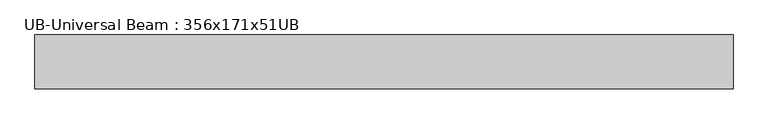
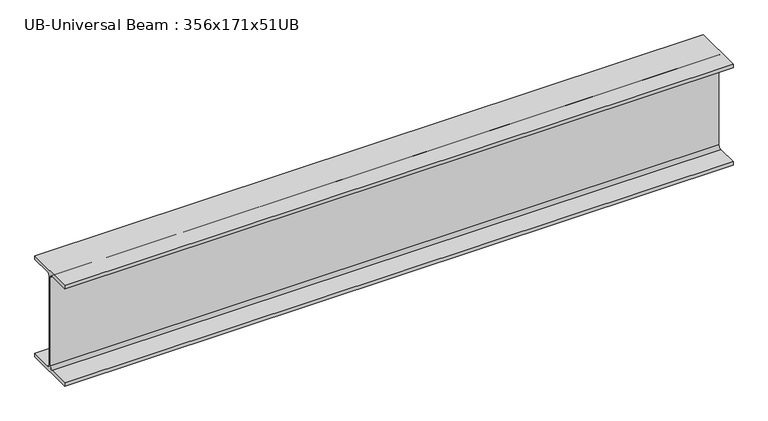
"""IFC4 building model written with IfcOpenShell, lengths in millimetres: beam geometry, UB-Universal Beam : 356x171x51UB."""

import ifcopenshell
import ifcopenshell.guid

model = None  # the IFC model being written
_history = None  # IfcOwnerHistory: only IFC2X3 demands one
_inside = {}  # id of a spatial element -> (the spatial element, [elements in it])
_under = {}  # id of a project, library or spatial element -> (it, [spatial elements below it])
_declared = {}  # id of a project -> (the project, [libraries it declares])
_typed = {}  # id of a type object -> (the type object, [elements of that type])
_made_of = {}  # id of a material, layer set ... -> (it, [elements and type objects made of it])


def new_model(schema):
    """Start an empty IFC model of exactly this schema.

    Asked for "IFC4X3", IfcOpenShell would pick the latest addendum, in which some entities
    have other attributes; the version numbers below select the first issue.
    IFC2X3 requires an IfcOwnerHistory on every rooted entity: one is made here for all.
    """
    global model, _history
    if schema == "IFC4X3":
        model = ifcopenshell.file(schema_version=(4, 3, 0, 0))
    else:
        model = ifcopenshell.file(schema=schema)
    _inside.clear()
    _under.clear()
    _declared.clear()
    _typed.clear()
    _made_of.clear()
    _history = None
    if model.schema == "IFC2X3":
        org = make("IfcOrganization", Name="unknown")
        user = make(
            "IfcPersonAndOrganization",
            ThePerson=make("IfcPerson", FamilyName="unknown"),
            TheOrganization=org,
        )
        app = make(
            "IfcApplication",
            ApplicationDeveloper=org,
            Version="unknown",
            ApplicationFullName="unknown",
            ApplicationIdentifier="unknown",
        )
        _history = make(
            "IfcOwnerHistory",
            OwningUser=user,
            OwningApplication=app,
            ChangeAction="ADDED",
            CreationDate=0,
        )
    return model


def make(cls, **values):
    """One entity of the class cls with the attributes given. An attribute that is None is left unset."""
    return model.create_entity(
        cls, **{name: value for name, value in values.items() if value is not None}
    )


def rooted(cls, **values):
    """An entity with a GlobalId (a new one), such as an element, a storey or a relation."""
    return make(cls, GlobalId=ifcopenshell.guid.new(), OwnerHistory=_history, **values)


def si_unit(unit_type, name, prefix=None):
    """IfcSIUnit, for example si_unit("LENGTHUNIT", "METRE", prefix="MILLI")."""
    return make("IfcSIUnit", UnitType=unit_type, Prefix=prefix, Name=name)


def assignment(units):
    """IfcUnitAssignment: the units of a project."""
    return None if units is None else make("IfcUnitAssignment", Units=units)


def point(xyz):
    """IfcCartesianPoint."""
    return None if xyz is None else make("IfcCartesianPoint", Coordinates=xyz)


def direction(xyz):
    """IfcDirection."""
    return None if xyz is None else make("IfcDirection", DirectionRatios=xyz)


def frame(location, z_axis=None, x_axis=None):
    """IfcAxis2Placement3D, a coordinate frame: its origin and axes. An axis left out is left unset."""
    return make(
        "IfcAxis2Placement3D",
        Location=point(location),
        Axis=direction(z_axis),
        RefDirection=direction(x_axis),
    )


def frame_2d(location, x_axis=None):
    """IfcAxis2Placement2D, a coordinate frame in the plane: its origin and x axis."""
    return make(
        "IfcAxis2Placement2D", Location=point(location), RefDirection=direction(x_axis)
    )


def origin():
    """The frame at (0, 0, 0) with its axes left unset."""
    return frame((0.0, 0.0, 0.0))


def place(relative_to, where):
    """IfcLocalPlacement: puts the frame where relative to a parent placement (None: the world)."""
    return make(
        "IfcLocalPlacement", PlacementRelTo=relative_to, RelativePlacement=where
    )


def context(
    kind, dimensions, precision=None, world=None, true_north=None, identifier=None
):
    """IfcGeometricRepresentationContext, for example the 3D "Model" context."""
    return make(
        "IfcGeometricRepresentationContext",
        ContextIdentifier=identifier,
        ContextType=kind,
        CoordinateSpaceDimension=dimensions,
        Precision=precision,
        WorldCoordinateSystem=world,
        TrueNorth=true_north,
    )


def project(units=None, contexts=None):
    """IfcProject with its units and contexts."""
    return rooted(
        "IfcProject",
        Name="project",
        RepresentationContexts=contexts,
        UnitsInContext=assignment(units),
    )


def spatial(cls, under=None, at=None, **own):
    """A site, building, storey or space (cls), placed at a placement, below another one or the project."""
    s = rooted(cls, ObjectPlacement=at, **own)
    if under is not None:
        _under.setdefault(under.id(), (under, []))[1].append(s)
    return s


def polyline(points):
    """IfcPolyline through the points."""
    return make("IfcPolyline", Points=[point(p) for p in points])


def circle_curve(where, radius):
    """IfcCircle in the frame where."""
    return make("IfcCircle", Position=where, Radius=radius)


def trimmed(basis, trim1, trim2, sense, master):
    """IfcTrimmedCurve: the piece of a basis curve between two trims."""
    return make(
        "IfcTrimmedCurve",
        BasisCurve=basis,
        Trim1=trim1,
        Trim2=trim2,
        SenseAgreement=sense,
        MasterRepresentation=master,
    )


def segment(curve, same_sense, transition):
    """IfcCompositeCurveSegment."""
    return make(
        "IfcCompositeCurveSegment",
        Transition=transition,
        SameSense=same_sense,
        ParentCurve=curve,
    )


def composite_curve(segments, self_intersect=None):
    """IfcCompositeCurve: segments joined end to end."""
    return make("IfcCompositeCurve", Segments=segments, SelfIntersect=self_intersect)


def outline(outer, holes=None, kind="AREA"):
    """IfcArbitraryClosedProfileDef: a profile drawn as a closed curve; with holes, ...WithVoids."""
    if holes is None:
        return make("IfcArbitraryClosedProfileDef", ProfileType=kind, OuterCurve=outer)
    return make(
        "IfcArbitraryProfileDefWithVoids",
        ProfileType=kind,
        OuterCurve=outer,
        InnerCurves=holes,
    )


def extrude(swept, where, along, depth):
    """IfcExtrudedAreaSolid: the profile swept, set in the frame where, extruded along a direction by depth."""
    return make(
        "IfcExtrudedAreaSolid",
        SweptArea=swept,
        Position=where,
        ExtrudedDirection=direction(along),
        Depth=depth,
    )


def shape(context_of_items, identifier, shape_type, items):
    """IfcShapeRepresentation: the items that make up one representation, for example the "Body"."""
    return make(
        "IfcShapeRepresentation",
        ContextOfItems=context_of_items,
        RepresentationIdentifier=identifier,
        RepresentationType=shape_type,
        Items=items,
    )


def source(mapping_origin, context_of_items, identifier, shape_type, items):
    """IfcRepresentationMap: a shape defined once, which mapped items show again and again."""
    return make(
        "IfcRepresentationMap",
        MappingOrigin=mapping_origin,
        MappedRepresentation=shape(context_of_items, identifier, shape_type, items),
    )


def transform(
    local_origin,
    x_axis=None,
    y_axis=None,
    z_axis=None,
    scale=None,
    scale2=None,
    scale3=None,
    uniform=True,
):
    """IfcCartesianTransformationOperator3D, or its non-uniform kind. x_axis, y_axis, z_axis: its Axis1, 2, 3."""
    if uniform:
        return make(
            "IfcCartesianTransformationOperator3D",
            Axis1=direction(x_axis),
            Axis2=direction(y_axis),
            LocalOrigin=point(local_origin),
            Scale=scale,
            Axis3=direction(z_axis),
        )
    return make(
        "IfcCartesianTransformationOperator3DnonUniform",
        Axis1=direction(x_axis),
        Axis2=direction(y_axis),
        LocalOrigin=point(local_origin),
        Scale=scale,
        Axis3=direction(z_axis),
        Scale2=scale2,
        Scale3=scale3,
    )


def mapped(mapping_source, mapping_target):
    """IfcMappedItem: shows the shape of a source again, moved by a transform."""
    return make(
        "IfcMappedItem", MappingSource=mapping_source, MappingTarget=mapping_target
    )


def made_of(thing, what):
    """Note that an element or type object is made of a material, layer set ...; save() writes the relation."""
    if what is not None:
        _made_of.setdefault(what.id(), (what, []))[1].append(thing)
    return thing


def element(
    cls,
    number,
    at=None,
    inside=None,
    cuts=None,
    type_object=None,
    material=None,
    context=None,
    identifier="Body",
    shape_type=None,
    held_by="IfcProductDefinitionShape",
    body=None,
    shapes=None,
    **own,
):
    """One element of the class cls, such as IfcWall. Its Tag is "e" and its number.

    at: its placement. inside: the storey or other place that contains it. cuts: it is an
    opening in that element (IfcRelVoidsElement). A single representation is given by context,
    identifier, shape_type and body (its items); several are given by shapes. held_by: the class
    of the entity that holds the representations. save() writes the other relations.
    """
    e = rooted(cls, Tag="e%d" % number, ObjectPlacement=at, **own)
    if body is not None:
        shapes = [shape(context, identifier, shape_type, body)]
    if shapes is not None:
        e.Representation = make(held_by, Representations=shapes)
    if inside is not None:
        _inside.setdefault(inside.id(), (inside, []))[1].append(e)
    if cuts is not None:
        rooted(
            "IfcRelVoidsElement", RelatingBuildingElement=cuts, RelatedOpeningElement=e
        )
    if type_object is not None:
        _typed.setdefault(type_object.id(), (type_object, []))[1].append(e)
    return made_of(e, material)


def aggregate(whole, parts):
    """IfcRelAggregates: a whole, such as a stair, and the parts it consists of."""
    return rooted("IfcRelAggregates", RelatingObject=whole, RelatedObjects=parts)


def save(model, path):
    """Write the relations noted so far, then the file.

    IfcRelAggregates (storeys below a building ...), IfcRelContainedInSpatialStructure (elements
    in a storey), IfcRelDefinesByType, IfcRelAssociatesMaterial and IfcRelDeclares: one each for
    every whole, place, type object, material and project.
    """
    for whole, parts in _under.values():
        aggregate(whole, parts)
    for where, things in _inside.values():
        rooted(
            "IfcRelContainedInSpatialStructure",
            RelatedElements=things,
            RelatingStructure=where,
        )
    for kind, things in _typed.values():
        rooted("IfcRelDefinesByType", RelatedObjects=things, RelatingType=kind)
    for what, things in _made_of.values():
        rooted("IfcRelAssociatesMaterial", RelatedObjects=things, RelatingMaterial=what)
    for by, libraries in _declared.values():
        rooted("IfcRelDeclares", RelatingContext=by, RelatedDefinitions=libraries)
    model.write(path)


def ub_universal_beam_356x171x51ub_c932d135(model_context):
    return source(origin(), model_context, "Body", "SweptSolid", [
        extrude(outline(composite_curve([segment(polyline([(85.75, -166.0), (85.75, -177.5), (-85.75, -177.5), (-85.75, -166.0), (-13.9, -166.0)]), True, "CONTINUOUS"), segment(trimmed(circle_curve(frame_2d((-13.9, -155.8)), 10.2), [point((-13.9, -166.0))], [point((-3.7, -155.8))], True, "CARTESIAN"), True, "CONTINUOUS"), segment(polyline([(-3.7, -155.8), (-3.7, 155.8)]), True, "CONTINUOUS"), segment(trimmed(circle_curve(frame_2d((-13.9, 155.8)), 10.2), [point((-3.7, 155.8))], [point((-13.9, 166.0))], True, "CARTESIAN"), True, "CONTINUOUS"), segment(polyline([(-13.9, 166.0), (-85.75, 166.0), (-85.75, 177.5), (85.75, 177.5), (85.75, 166.0), (13.9, 166.0)]), True, "CONTINUOUS"), segment(trimmed(circle_curve(frame_2d((13.9, 155.8)), 10.2), [point((13.9, 166.0))], [point((3.7, 155.8))], True, "CARTESIAN"), True, "CONTINUOUS"), segment(polyline([(3.7, 155.8), (3.7, -155.8)]), True, "CONTINUOUS"), segment(trimmed(circle_curve(frame_2d((13.9, -155.8)), 10.2), [point((3.7, -155.8))], [point((13.9, -166.0))], True, "CARTESIAN"), True, "CONTINUOUS"), segment(polyline([(13.9, -166.0), (85.75, -166.0)]), True, "CONTINUOUS")], self_intersect=False)), frame((-1034.8805506, 0.0, 0.0), z_axis=(1.0, 0.0, 0.0), x_axis=(0.0, 1.0, 0.0)), (0.0, 0.0, 1.0), 2227.4611012),
    ])


if __name__ == "__main__":
    model = new_model("IFC4")
    model_context = context("Model", 3, world=origin())
    ifc_project = project(units=[si_unit("LENGTHUNIT", "METRE", prefix="MILLI")], contexts=[model_context])
    site = spatial("IfcSite", under=ifc_project)
    building = spatial("IfcBuilding", under=site)
    placement = place(None, origin())
    ub_universal_beam_356x171x51ub_shape = ub_universal_beam_356x171x51ub_c932d135(model_context)
    element("IfcBeam", 1, ObjectType="UB-Universal Beam : 356x171x51UB", at=placement, inside=building, context=model_context, shape_type="MappedRepresentation", body=[
        mapped(ub_universal_beam_356x171x51ub_shape, transform((0.0, 0.0, 0.0), x_axis=(1.0, 0.0, 0.0), y_axis=(0.0, 1.0, 0.0), z_axis=(0.0, 0.0, 1.0))),
    ])
    save(model, "model.ifc")
